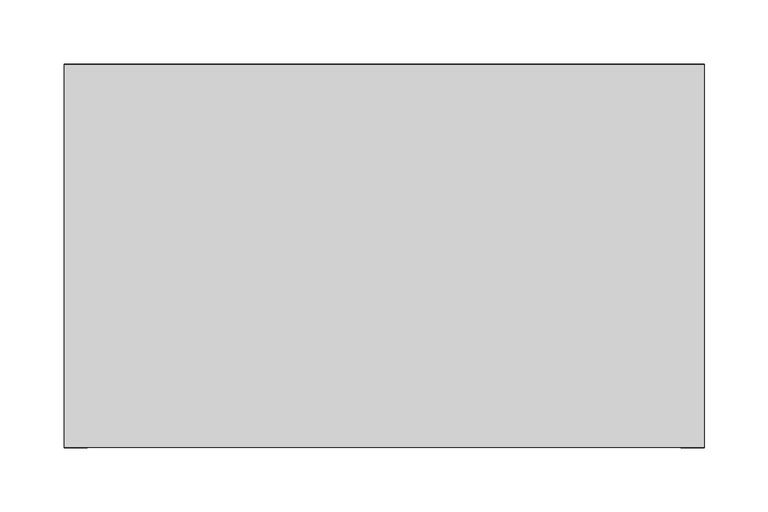
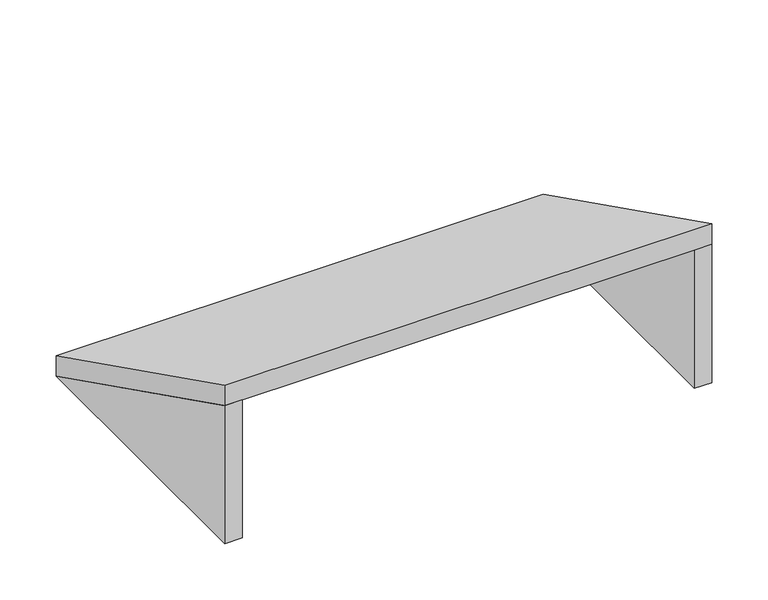
"""IFC4 building model written with IfcOpenShell, lengths in millimetres: furniture geometry."""

from ifc_helpers import new_model, si_unit, frame, origin, place, context, project, spatial, polyline, outline, extrude, source, transform, mapped, element, save


def furniture_11b54419(model_context):
    return source(origin(), model_context, "Body", "SweptSolid", [
        extrude(outline(polyline([(0.4, 2250.0), (300.4, 2100.0), (0.4, 2100.0), (0.4, 2250.0)])), frame((607.0, 0.0, 0.0), z_axis=(1.0, 0.0, 0.0), x_axis=(0.0, 1.0, 0.0)), (0.0, 0.0, 1.0), 18.0),
        extrude(outline(polyline([(0.4, 2250.0), (300.4, 2100.0), (0.4, 2100.0), (0.4, 2250.0)])), frame((125.0, 0.0, 0.0), z_axis=(1.0, 0.0, 0.0), x_axis=(0.0, 1.0, 0.0)), (0.0, 0.0, 1.0), 18.0),
        extrude(outline(polyline([(0.4, 2272.3606798), (300.2857517, 2122.4178039), (300.4, 2100.0), (0.4, 2250.0), (0.4, 2272.3606798)])), frame((125.0, 0.0, 0.0), z_axis=(1.0, 0.0, 0.0), x_axis=(0.0, 1.0, 0.0)), (0.0, 0.0, 1.0), 500.0),
    ])


if __name__ == "__main__":
    model = new_model("IFC4")
    model_context = context("Model", 3, world=origin())
    ifc_project = project(units=[si_unit("LENGTHUNIT", "METRE", prefix="MILLI")], contexts=[model_context])
    site = spatial("IfcSite", under=ifc_project)
    building = spatial("IfcBuilding", under=site)
    placement = place(None, origin())
    furniture_shape = furniture_11b54419(model_context)
    element("IfcFurniture", 1, at=placement, inside=building, context=model_context, shape_type="MappedRepresentation", body=[
        mapped(furniture_shape, transform((0.0, 0.0, 0.0), x_axis=(1.0, 0.0, 0.0), y_axis=(0.0, 1.0, 0.0), z_axis=(0.0, 0.0, 1.0))),
    ])
    save(model, "model.ifc")
